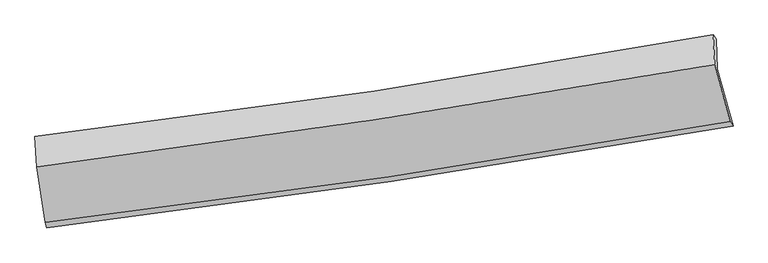
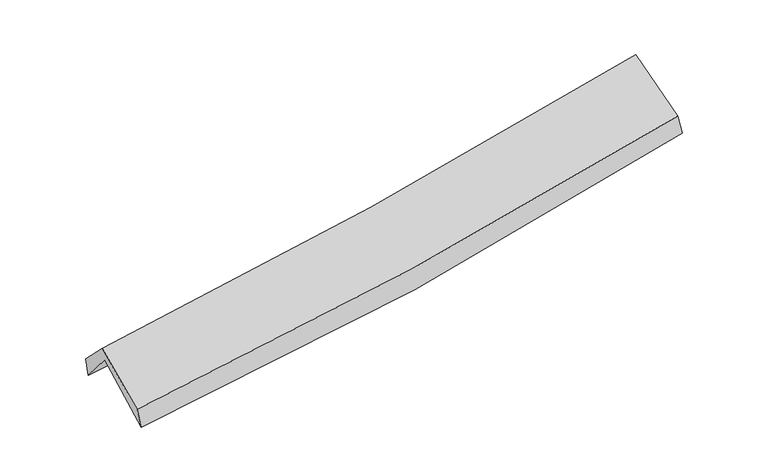
"""IFC4 building model written with IfcOpenShell, lengths in millimetres: proxy geometry."""

from ifc_helpers import new_model, si_unit, frame, origin, place, context, project, spatial, source, transform, mapped, element, save
from ifc_brep_helpers import plane_surface, spline_curve, spline_surface, advanced_brep


def generic_models_bd4ca88c(model_context):
    return source(origin(), model_context, "Body", "AdvancedBrep", [
        advanced_brep(
        [(-2892.0319135, -2515.5462981, 1471.6981796), (-2970.6148187, -2011.97543, 1910.7954128), (2904.4747522, -1142.1027604, 2410.0236606), (3040.5490634, -1633.8748052, 1979.9512245), (-2981.9408652, -1752.6046966, 1589.8551332), (2893.4890414, -882.5892818, 2088.7650678), (-2993.8246232, -1723.1342756, 1752.282781), (2868.2427689, -843.2594965, 2252.6251174), (-2979.2237459, -1986.7335278, 2020.4553413), (2882.2018741, -1101.4626803, 2544.9614299), (-2906.2768535, -2465.1977143, 1635.4971906), (3015.1152043, -1594.7239623, 2145.7918544)],
        [
            (0, 1),
            (1, 2, spline_curve(3, [(-2970.6148187, -2011.97543, 1910.7954128), (-1984.705794592, -1895.116697483, 1950.178035054), (-1002.626360981, -1764.280882482, 2011.410824391), (955.751548966, -1474.377049229, 2177.736256067), (1932.035305533, -1315.255307636, 2282.912882387), (2904.4747522, -1142.1027604, 2410.0236606)], [4, 2, 4], [0.0, 9.820431376437629, 19.659717813331845])),
            (2, 3),
            (3, 0, spline_curve(3, [(3040.5490634, -1633.8748052, 1979.9512245), (2059.204455424, -1806.530385165, 1845.19090387), (1073.672244251, -1966.389003253, 1735.439664387), (-903.870782362, -2260.230502358, 1566.117741118), (-1895.865563063, -2394.262381655, 1506.451298614), (-2892.0319135, -2515.5462981, 1471.6981796)], [4, 2, 4], [0.0, 9.839286436894216, 19.659717813331845])),
            (1, 4),
            (4, 5, spline_curve(3, [(-2981.9408652, -1752.6046966, 1589.8551332), (-1996.078493115, -1633.620771784, 1626.745196709), (-1013.994100437, -1501.709469026, 1686.704036252), (944.497056034, -1211.754018981, 1852.918679551), (1920.889299435, -1053.660183722, 1959.263151344), (2893.4890414, -882.5892818, 2088.7650678)], [4, 2, 4], [0.0, 9.772046418910168, 19.56285499998515])),
            (5, 2),
            (4, 6),
            (6, 7, spline_curve(3, [(-2993.8246232, -1723.1342756, 1752.282781), (-2011.225098863, -1606.460038958, 1809.752444442), (-1031.885102953, -1474.884649103, 1880.130090726), (922.149889374, -1181.650330637, 2046.861255659), (1896.832357684, -1019.93412759, 2143.264388302), (2868.2427689, -843.2594965, 2252.6251174)], [4, 2, 4], [0.0, 9.761807519291091, 19.54235754223466])),
            (7, 5),
            (6, 8),
            (8, 9, spline_curve(3, [(-2979.2237459, -1986.7335278, 2020.4553413), (-1997.681171943, -1860.805150073, 2082.473126928), (-1018.923536294, -1724.149441763, 2157.136800485), (934.895707796, -1429.100391321, 2331.923557182), (1909.946612402, -1270.665817108, 2432.095246311), (2882.2018741, -1101.4626803, 2544.9614299)], [4, 2, 4], [0.0, 9.752994058009703, 19.524713697976807])),
            (9, 7),
            (8, 10),
            (10, 11, spline_curve(3, [(-2906.2768535, -2465.1977143, 1635.4971906), (-1913.067278585, -2349.697535947, 1688.593505077), (-923.482925534, -2219.49165517, 1757.610150342), (1050.328361421, -1929.390261467, 1927.6471794), (2034.541360927, -1769.438224689, 2028.728755551), (3015.1152043, -1594.7239623, 2145.7918544)], [4, 2, 4], [0.0, 9.800678716131848, 19.62017456794998])),
            (11, 9),
            (10, 0),
            (3, 11),
        ],
        [
            spline_surface(3, 3, [[(-2892.0319135, -2515.5462981, 1471.6981796), (-1895.865563121, -2394.262381595, 1506.451298616), (-903.870782242, -2260.230502248, 1566.117740999), (1073.672244131, -1966.389003363, 1735.439664506), (2059.20445553, -1806.53038505, 1845.19090371), (3040.5490634, -1633.8748052, 1979.9512245)], [(-2918.226215226, -2347.689342086, 1618.063924017), (-1925.478973648, -2227.880486956, 1654.360210752), (-936.789308481, -2094.913962371, 1714.548768815), (1034.365345743, -1802.385018615, 1882.871861652), (2016.814738857, -1642.7720259, 1991.098229937), (2995.190959678, -1469.950790265, 2123.3087032)], [(-2944.420516974, -2179.832386014, 1764.429668383), (-1955.092384196, -2061.498592259, 1802.269122837), (-969.707834732, -1929.597422482, 1862.979796665), (995.058447344, -1638.381033855, 2030.304058832), (1974.425022149, -1479.013666754, 2137.005556163), (2949.832855922, -1306.026775335, 2266.6661819)], [(-2970.6148187, -2011.97543, 1910.7954128), (-1984.705794723, -1895.11669762, 1950.178034973), (-1002.626360971, -1764.280882604, 2011.41082448), (955.751548957, -1474.377049107, 2177.736255977), (1932.035305475, -1315.255307604, 2282.91288239), (2904.4747522, -1142.1027604, 2410.0236606)]], [4, 4], [4, 2, 4], [0.0, 2.2074609536675145], [0.0, 9.820431376437629, 19.659717813331845]),
            spline_surface(3, 3, [[(-2970.6148187, -2011.97543, 1910.7954128), (-1984.705794723, -1895.11669762, 1950.178034973), (-1002.626360971, -1764.280882604, 2011.41082448), (955.751548957, -1474.377049107, 2177.736255977), (1932.035305475, -1315.255307604, 2282.91288239), (2904.4747522, -1142.1027604, 2410.0236606)], [(-2974.390167548, -1925.518518874, 1803.815319603), (-1988.496694149, -1807.951389037, 1842.367088883), (-1006.415607499, -1676.757078048, 1903.175228439), (952.000051381, -1386.83603907, 2069.4637305), (1928.319970078, -1228.056932959, 2175.02963873), (2900.812848582, -1055.598267529, 2302.937463002)], [(-2978.165516352, -1839.061607726, 1696.835226397), (-1992.28759353, -1720.786080433, 1734.556142783), (-1010.204854066, -1589.23327353, 1794.939632349), (948.248553767, -1299.295029071, 1961.191204973), (1924.604634736, -1140.858558326, 2067.146395064), (2897.150945018, -969.093774671, 2195.851265398)], [(-2981.9408652, -1752.6046966, 1589.8551332), (-1996.078492956, -1633.62077185, 1626.745196693), (-1013.994100594, -1501.709468974, 1686.704036308), (944.497056191, -1211.754019033, 1852.918679495), (1920.889299339, -1053.66018368, 1959.263151404), (2893.4890414, -882.5892818, 2088.7650678)]], [4, 4], [4, 2, 4], [0.0, 1.370730848983089], [0.0, 9.772046418910168, 19.56285499998515]),
            spline_surface(3, 3, [[(-2981.9408652, -1752.6046966, 1589.8551332), (-1996.078492956, -1633.62077185, 1626.745196693), (-1013.994100594, -1501.709468974, 1686.704036308), (944.497056191, -1211.754019033, 1852.918679495), (1920.889299339, -1053.66018368, 1959.263151404), (2893.4890414, -882.5892818, 2088.7650678)], [(-2985.902117858, -1742.781222914, 1643.99768245), (-2001.127361594, -1624.567194159, 1687.747612601), (-1019.957768095, -1492.767862315, 1751.179387748), (937.048000605, -1201.719456292, 1917.566204874), (1912.870318779, -1042.418164991, 2020.596897004), (2885.073617231, -869.479353365, 2143.385084311)], [(-2989.863370542, -1732.957749286, 1698.14023175), (-2006.176230257, -1615.513616524, 1748.750028559), (-1025.921435553, -1483.826255622, 1815.654739251), (929.598945061, -1191.684893518, 1982.213730316), (1904.851338225, -1031.176146307, 2081.930642671), (2876.658193069, -856.369424935, 2198.005100889)], [(-2993.8246232, -1723.1342756, 1752.282781), (-2011.225098895, -1606.460038833, 1809.752444467), (-1031.885103054, -1474.884648963, 1880.130090691), (922.149889474, -1181.650330777, 2046.861255694), (1896.832357665, -1019.934127618, 2143.264388272), (2868.2427689, -843.2594965, 2252.6251174)]], [4, 4], [4, 2, 4], [0.0, 0.6456601020640931], [0.0, 9.761807519291091, 19.54235754223466]),
            spline_surface(3, 3, [[(-2993.8246232, -1723.1342756, 1752.282781), (-2011.225098895, -1606.460038833, 1809.752444467), (-1031.885103054, -1474.884648963, 1880.130090691), (922.149889474, -1181.650330777, 2046.861255694), (1896.832357665, -1019.934127618, 2143.264388272), (2868.2427689, -843.2594965, 2252.6251174)], [(-2988.957664104, -1811.00069301, 1841.67363444), (-2006.710456531, -1691.241742559, 1900.659338612), (-1027.564580829, -1557.972913203, 1972.465660653), (926.398495633, -1264.133684286, 2141.88202281), (1901.203775951, -1103.511357456, 2239.541340924), (2872.895803958, -929.327224439, 2350.0705549)], [(-2984.090704996, -1898.86711039, 1931.06448786), (-2002.195814156, -1776.023446257, 1991.566232738), (-1023.244058639, -1641.061177491, 2064.801230638), (930.647101758, -1346.617037843, 2236.902789949), (1905.575194262, -1187.088587277, 2335.818293575), (2877.548839042, -1015.394952361, 2447.5159924)], [(-2979.2237459, -1986.7335278, 2020.4553413), (-1997.681171792, -1860.805149983, 2082.473126883), (-1018.923536414, -1724.149441731, 2157.136800601), (934.895707917, -1429.100391352, 2331.923557066), (1909.946612547, -1270.665817116, 2432.095246228), (2882.2018741, -1101.4626803, 2544.9614299)]], [4, 4], [4, 2, 4], [0.0, 1.2312135834149658], [0.0, 9.752994058009703, 19.524713697976807]),
            spline_surface(3, 3, [[(-2979.2237459, -1986.7335278, 2020.4553413), (-1997.681171792, -1860.805149983, 2082.473126883), (-1018.923536414, -1724.149441731, 2157.136800601), (934.895707917, -1429.100391352, 2331.923557066), (1909.946612547, -1270.665817116, 2432.095246228), (2882.2018741, -1101.4626803, 2544.9614299)], [(-2954.908115091, -2146.221589953, 1892.135957744), (-1969.476540666, -2023.769278613, 1951.179919655), (-987.109999416, -1889.263512892, 2023.961250528), (973.373259031, -1595.863681399, 2197.164764516), (1951.478195319, -1436.923286357, 2297.639749318), (2926.506317498, -1265.883107632, 2411.904904731)], [(-2930.592484309, -2305.709652147, 1763.816574156), (-1941.271909567, -2186.733407284, 1819.886712394), (-955.296462394, -2054.377584019, 1890.785700427), (1011.850810168, -1762.62697141, 2062.405971938), (1993.009778095, -1603.180755605, 2163.184252416), (2970.810760902, -1430.303534968, 2278.848379569)], [(-2906.2768535, -2465.1977143, 1635.4971906), (-1913.067278441, -2349.697535915, 1688.593505166), (-923.482925396, -2219.49165518, 1757.610150354), (1050.328361282, -1929.390261457, 1927.647179388), (2034.541360866, -1769.438224847, 2028.728755506), (3015.1152043, -1594.7239623, 2145.7918544)]], [4, 4], [4, 2, 4], [0.0, 2.1274290842230026], [0.0, 9.800678716131848, 19.62017456794998]),
            spline_surface(3, 3, [[(-2906.2768535, -2465.1977143, 1635.4971906), (-1913.067278441, -2349.697535915, 1688.593505166), (-923.482925396, -2219.49165518, 1757.610150354), (1050.328361282, -1929.390261457, 1927.647179388), (2034.541360866, -1769.438224847, 2028.728755506), (3015.1152043, -1594.7239623, 2145.7918544)], [(-2901.528540173, -2481.980575563, 1580.897520246), (-1907.333373341, -2364.552484471, 1627.879436295), (-916.945544351, -2233.071270872, 1693.779347251), (1058.109655558, -1941.723175428, 1863.578007776), (2042.762392441, -1781.802278251, 1967.549471596), (3023.593157353, -1607.77424327, 2090.511644456)], [(-2896.780226827, -2498.763436837, 1526.297849954), (-1901.599468221, -2379.407433039, 1567.165367486), (-910.408163287, -2246.650886556, 1629.948544102), (1065.890949854, -1954.056089392, 1799.508836118), (2050.983423956, -1794.166331645, 1906.370187619), (3032.071110347, -1620.82452423, 2035.231434444)], [(-2892.0319135, -2515.5462981, 1471.6981796), (-1895.865563121, -2394.262381595, 1506.451298616), (-903.870782242, -2260.230502248, 1566.117740999), (1073.672244131, -1966.389003363, 1735.439664506), (2059.20445553, -1806.53038505, 1845.19090371), (3040.5490634, -1633.8748052, 1979.9512245)]], [4, 4], [4, 2, 4], [0.0, 0.646072477576096], [0.0, 9.85795210397848, 19.73483130756937]),
            plane_surface(frame((2934.0121174, -1199.6688311, 2237.0197258), z_axis=(0.9784228368605568, 0.17579850679221945, 0.10855246344218346), x_axis=(0.20501431997710715, -0.7608388575557612, -0.6157055801578939))),
            plane_surface(frame((-2953.98547, -2075.8653237, 1730.0973397), z_axis=(-0.9926569535666062, -0.10878904520494963, -0.0528877696567019), x_axis=(-0.08284180337923691, 0.29280344349570503, 0.9525772299871195))),
        ],
        [
            (0, [[1, 2, 3, 4]]),
            (1, [[5, 6, 7, -2]]),
            (2, [[8, 9, 10, -6]]),
            (3, [[11, 12, 13, -9]]),
            (4, [[14, 15, 16, -12]]),
            (5, [[17, -4, 18, -15]]),
            (6, [[-16, -18, -3, -7, -10, -13]]),
            (7, [[-17, -14, -11, -8, -5, -1]]),
        ],
    ),
    ])


if __name__ == "__main__":
    model = new_model("IFC4")
    model_context = context("Model", 3, world=origin())
    ifc_project = project(units=[si_unit("LENGTHUNIT", "METRE", prefix="MILLI")], contexts=[model_context])
    site = spatial("IfcSite", under=ifc_project)
    building = spatial("IfcBuilding", under=site)
    placement = place(None, origin())
    generic_models_shape = generic_models_bd4ca88c(model_context)
    element("IfcBuildingElementProxy", 1, Name="Generic Models", at=placement, inside=building, context=model_context, shape_type="MappedRepresentation", body=[
        mapped(generic_models_shape, transform((0.0, 0.0, 0.0), x_axis=(1.0, 0.0, 0.0), y_axis=(0.0, 1.0, 0.0), z_axis=(0.0, 0.0, 1.0))),
    ])
    save(model, "model.ifc")
